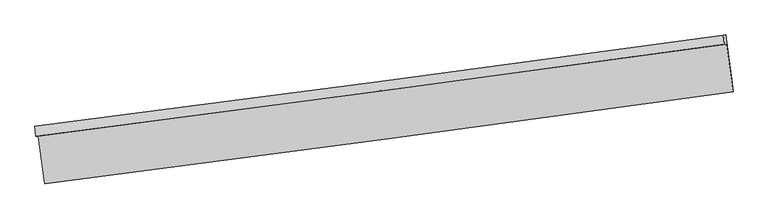
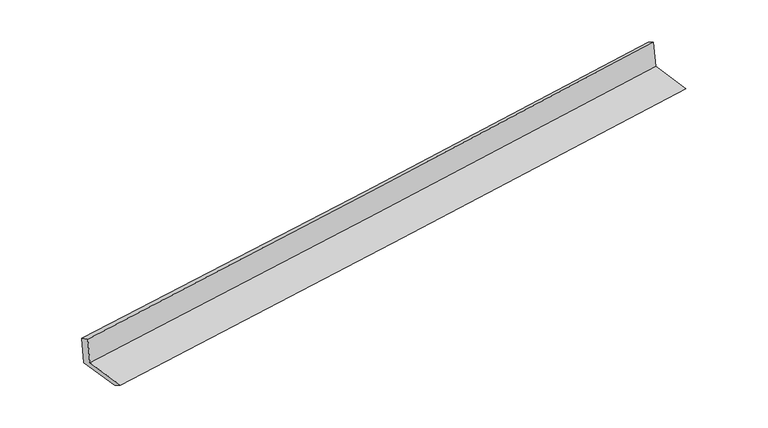
"""IFC4 building model written with IfcOpenShell, lengths in millimetres: proxy geometry."""

from ifc_helpers import new_model, si_unit, frame, origin, place, context, project, spatial, source, transform, mapped, element, save
from ifc_brep_helpers import plane_surface, spline_curve, spline_surface, advanced_brep


def generic_models_280643f5(model_context):
    return source(origin(), model_context, "Body", "AdvancedBrep", [
        advanced_brep(
        [(-4755.7221461, -2122.8628081, 1888.8154785), (-4723.9687355, -2120.7859916, 1493.4606036), (4690.6472382, -863.7417019, 2246.1779767), (4658.0932543, -865.8708795, 2651.5006167), (-4769.1010788, -1986.7933584, 1826.1014919), (4646.8548394, -739.6587337, 2578.8744285), (-4735.972185, -1984.6265791, 1413.620772), (4679.9837333, -737.4919544, 2166.3937086), (-4646.4907007, -2646.3938655, 1417.3312943), (4769.4652175, -1399.2592409, 2170.1042309), (-4635.6416629, -2774.0157362, 1497.1232559), (4778.9743107, -1516.9714465, 2249.8406291)],
        [
            (0, 1),
            (1, 2, spline_curve(3, [(-4723.9687355, -2120.7859916, 1493.4606036), (-3158.162744902, -1918.462731941, 1615.271593334), (-1592.922522354, -1712.85256275, 1738.721743915), (1545.289229412, -1293.875140908, 1989.608912346), (3118.254331592, -1080.47054719, 2117.06455343), (4690.6472382, -863.7417019, 2246.1779767)], [4, 2, 4], [0.0, 15.585726673179717, 31.259736161158244])),
            (2, 3),
            (3, 0, spline_curve(3, [(4658.0932543, -865.8708795, 2651.5006167), (3085.56578423, -1082.608525746, 2524.062615995), (1512.60068205, -1296.013120087, 2396.606975433), (-1625.342700712, -1714.972988544, 2142.378397536), (-3190.316065506, -1920.565704408, 2015.605659037), (-4755.7221461, -2122.8628081, 1888.8154785)], [4, 2, 4], [0.0, 15.674009487978527, 31.259736161158244])),
            (4, 0),
            (3, 5),
            (5, 4, spline_curve(3, [(4646.8548394, -739.6587337, 2578.8744285), (3074.687156491, -958.053235764, 2449.770344563), (1501.72205416, -1171.457830216, 2322.314703987), (-1636.938875946, -1587.113318946, 2071.408908479), (-3202.625746629, -1789.420266877, 1947.940237422), (-4769.1010788, -1986.7933584, 1826.1014919)], [4, 2, 4], [0.0, 15.674052021404602, 31.259820988443707])),
            (6, 4),
            (5, 7),
            (7, 6, spline_curve(3, [(4679.9837333, -737.4919544, 2166.3937086), (3107.816050481, -955.886456887, 2037.289624927), (1534.850947799, -1169.291050659, 1909.833984034), (-1603.809981987, -1584.946539702, 1658.928188632), (-3169.496852576, -1787.253487449, 1535.459517238), (-4735.972185, -1984.6265791, 1413.620772)], [4, 2, 4], [0.0, 15.67411808471793, 31.259952742973148])),
            (8, 6),
            (7, 9),
            (9, 8, spline_curve(3, [(4769.4652175, -1399.2592409, 2170.1042309), (3197.297534681, -1617.653743387, 2041.000147227), (1624.332432099, -1831.058337159, 1913.544506234), (-1514.328497687, -2246.713826202, 1662.638710832), (-3080.015368276, -2449.020773849, 1539.170039538), (-4646.4907007, -2646.3938655, 1417.3312943)], [4, 2, 4], [0.0, 15.67411808471793, 31.259952742973148])),
            (10, 8),
            (9, 11),
            (11, 10, spline_curve(3, [(4778.9743107, -1516.9714465, 2249.8406291), (3206.58140412, -1733.700291954, 2120.727205939), (1633.616301842, -1947.10488588, 1993.271565185), (-1504.595449785, -2366.08230698, 1742.384395878), (-3069.835672434, -2571.692476269, 1618.934245643), (-4635.6416629, -2774.0157362, 1497.1232559)], [4, 2, 4], [0.0, 15.674066177880688, 31.259849221660467])),
            (1, 10),
            (11, 2),
        ],
        [
            spline_surface(3, 3, [[(-4755.7221461, -2122.8628081, 1888.8154785), (-3190.316065281, -1920.565704313, 2015.605659186), (-1625.342700716, -1714.972988757, 2142.378397697), (1512.600682054, -1296.013119874, 2396.606975271), (3085.565784319, -1082.608525903, 2524.062616124), (4658.0932543, -865.8708795, 2651.5006167)], [(-4745.137675897, -2122.170535922, 1757.030520197), (-3179.598291811, -1919.864713498, 1882.160970627), (-1614.535974663, -1714.266180041, 2007.826179685), (1523.496864548, -1295.300460303, 2260.940954385), (3096.461966813, -1081.895866332, 2388.396595237), (4668.944582253, -865.161153619, 2516.393070035)], [(-4734.553205703, -2121.478263778, 1625.245561903), (-3168.880518351, -1919.163722719, 1748.716282079), (-1603.72924857, -1713.55937127, 1873.273961668), (1534.393047082, -1294.587800676, 2125.274933493), (3107.358149347, -1081.183206805, 2252.730574345), (4679.795910247, -864.451427781, 2381.285523365)], [(-4723.9687355, -2120.7859916, 1493.4606036), (-3158.162744881, -1918.462731905, 1615.271593521), (-1592.922522517, -1712.852562554, 1738.721743656), (1545.289229576, -1293.875141105, 1989.608912606), (3118.254331841, -1080.470547234, 2117.064553459), (4690.6472382, -863.7417019, 2246.1779767)]], [4, 4], [4, 2, 4], [0.0, 1.3341456044001], [0.0, 15.585726673179717, 31.259736161158244]),
            spline_surface(3, 3, [[(-4769.1010788, -1986.7933584, 1826.1014919), (-3202.625746561, -1789.42026679, 1947.940237361), (-1636.938876031, -1587.113319186, 2071.408908738), (1501.722054245, -1171.457829975, 2322.314703727), (3074.68715641, -958.053236005, 2449.77034458), (4646.8548394, -739.6587337, 2578.8744285)], [(-4764.641434551, -2032.149841639, 1847.006154081), (-3198.522519452, -1833.135412637, 1970.495377951), (-1633.073484245, -1629.733209041, 2095.065405071), (1505.34826353, -1212.97625994, 2347.078794255), (3078.313365695, -999.571665969, 2474.534435108), (4650.600977681, -781.729448965, 2603.083157913)], [(-4760.181790349, -2077.506324861, 1867.910816319), (-3194.41929239, -1876.850558466, 1993.050518596), (-1629.208092503, -1672.353098902, 2118.721901364), (1508.97447277, -1254.494689909, 2371.842884743), (3081.939575035, -1041.090095939, 2499.298525596), (4654.347116019, -823.800164235, 2627.291887287)], [(-4755.7221461, -2122.8628081, 1888.8154785), (-3190.316065281, -1920.565704313, 2015.605659186), (-1625.342700716, -1714.972988757, 2142.378397697), (1512.600682054, -1296.013119874, 2396.606975271), (3085.565784319, -1082.608525903, 2524.062616124), (4658.0932543, -865.8708795, 2651.5006167)]], [4, 4], [4, 2, 4], [0.0, 0.4791466285967055], [0.0, 15.585768967039105, 31.259820988443707]),
            spline_surface(3, 3, [[(-4735.972185, -1984.6265791, 1413.620772), (-3169.496852761, -1787.25348749, 1535.459517461), (-1603.809982231, -1584.946539786, 1658.928188838), (1534.850948045, -1169.291050575, 1909.833983827), (3107.81605031, -955.886456705, 2037.28962468), (4679.9837333, -737.4919544, 2166.3937086)], [(-4747.015149603, -1985.348838884, 1551.114345298), (-3180.539817364, -1787.975747274, 1672.95309076), (-1614.852946834, -1585.668799569, 1796.421762136), (1523.807983443, -1170.013310359, 2047.327557126), (3096.773085708, -956.608716489, 2174.783197978), (4668.940768697, -738.214214184, 2303.887281898)], [(-4758.058114197, -1986.071098616, 1688.607918602), (-3191.582781959, -1788.698007006, 1810.446664063), (-1625.895911428, -1586.391059402, 1933.915335439), (1512.765018848, -1170.735570191, 2184.821130429), (3085.730121013, -957.330976221, 2312.276771282), (4657.897804003, -738.936473916, 2441.380855202)], [(-4769.1010788, -1986.7933584, 1826.1014919), (-3202.625746561, -1789.42026679, 1947.940237361), (-1636.938876031, -1587.113319186, 2071.408908738), (1501.722054245, -1171.457829975, 2322.314703727), (3074.68715641, -958.053236005, 2449.77034458), (4646.8548394, -739.6587337, 2578.8744285)]], [4, 4], [4, 2, 4], [0.0, 1.3576596059951958], [0.0, 15.585834658255218, 31.259952742973148]),
            spline_surface(3, 3, [[(-4646.4907007, -2646.3938655, 1417.3312943), (-3080.015368461, -2449.02077389, 1539.170039761), (-1514.328497931, -2246.713826286, 1662.638711038), (1624.332432345, -1831.058337075, 1913.544506027), (3197.29753451, -1617.653743205, 2041.00014698), (4769.4652175, -1399.2592409, 2170.1042309)], [(-4676.317862121, -2425.80477001, 1416.094453543), (-3109.842529882, -2228.4316784, 1537.933199004), (-1544.155659352, -2026.124730795, 1661.40187028), (1594.505270924, -1610.469241585, 1912.30766527), (3167.470373089, -1397.064647715, 2039.763306223), (4739.638056079, -1178.67014541, 2168.867390143)], [(-4706.145023579, -2205.21567459, 1414.857612757), (-3139.66969134, -2007.842582981, 1536.696358219), (-1573.98282081, -1805.535635276, 1660.165029595), (1564.678109466, -1389.880146066, 1911.070824585), (3137.643211731, -1176.475552195, 2038.526465437), (4709.810894721, -958.08104989, 2167.630549357)], [(-4735.972185, -1984.6265791, 1413.620772), (-3169.496852761, -1787.25348749, 1535.459517461), (-1603.809982231, -1584.946539786, 1658.928188838), (1534.850948045, -1169.291050575, 1909.833983827), (3107.81605031, -955.886456705, 2037.28962468), (4679.9837333, -737.4919544, 2166.3937086)]], [4, 4], [4, 2, 4], [0.0, 2.190944403973014], [0.0, 15.585834658255218, 31.259952742973148]),
            spline_surface(3, 3, [[(-4635.6416629, -2774.0157362, 1497.1232559), (-3069.835672281, -2571.692476505, 1618.934245821), (-1504.595450017, -2366.082307154, 1742.384396056), (1633.616302076, -1947.104885705, 1993.271565006), (3206.581404341, -1733.700291834, 2120.727205859), (4778.9743107, -1516.9714465, 2249.8406291)], [(-4639.258008839, -2731.475112643, 1470.52593536), (-3073.228904347, -2530.801908977, 1592.346177127), (-1507.839799344, -2326.292813519, 1715.802501072), (1630.52167881, -1908.422702816, 1966.695878703), (3203.486781075, -1695.018108945, 2094.151519555), (4775.804612978, -1477.734044621, 2223.261829689)], [(-4642.874354761, -2688.934489057, 1443.92861484), (-3076.622136395, -2489.911341418, 1565.758108455), (-1511.084148604, -2286.503319921, 1689.220606021), (1627.427055611, -1869.740519964, 1940.120192331), (3200.392157776, -1656.335926094, 2067.575833284), (4772.634915222, -1438.496642779, 2196.683030311)], [(-4646.4907007, -2646.3938655, 1417.3312943), (-3080.015368461, -2449.02077389, 1539.170039761), (-1514.328497931, -2246.713826286, 1662.638711038), (1624.332432345, -1831.058337075, 1913.544506027), (3197.29753451, -1617.653743205, 2041.00014698), (4769.4652175, -1399.2592409, 2170.1042309)]], [4, 4], [4, 2, 4], [0.0, 0.46746071007653117], [0.0, 15.585783043779779, 31.259849221660467]),
            spline_surface(3, 3, [[(-4723.9687355, -2120.7859916, 1493.4606036), (-3158.162744881, -1918.462731905, 1615.271593521), (-1592.922522517, -1712.852562554, 1738.721743656), (1545.289229576, -1293.875141105, 1989.608912606), (3118.254331841, -1080.470547234, 2117.064553459), (4690.6472382, -863.7417019, 2246.1779767)], [(-4694.526377989, -2338.529239802, 1494.681487721), (-3128.72038737, -2136.205980107, 1616.492477642), (-1563.480165006, -1930.595810756, 1739.942627777), (1574.731587087, -1511.618389307, 1990.829796727), (3147.696689352, -1298.213795436, 2118.28543758), (4720.089595711, -1081.484950102, 2247.398860821)], [(-4665.084020411, -2556.272487998, 1495.902371779), (-3099.278029793, -2353.949228303, 1617.713361699), (-1534.037807528, -2148.339058952, 1741.163511934), (1604.173944565, -1729.361637503, 1992.050680885), (3177.13904683, -1515.957043632, 2119.506321738), (4749.531953189, -1299.228198298, 2248.619744979)], [(-4635.6416629, -2774.0157362, 1497.1232559), (-3069.835672281, -2571.692476505, 1618.934245821), (-1504.595450017, -2366.082307154, 1742.384396056), (1633.616302076, -1947.104885705, 1993.271565006), (3206.581404341, -1733.700291834, 2120.727205859), (4778.9743107, -1516.9714465, 2249.8406291)]], [4, 4], [4, 2, 4], [0.0, 2.162678758397741], [0.0, 15.585740738809807, 31.2597643720909]),
            plane_surface(frame((4704.0030989, -1020.4989928, 2343.8152651), z_axis=(0.987743037445204, 0.13400736068517377, 0.08003573739721745), x_axis=(-0.1339944650829522, 0.9909665031804881, -0.005556338845801369))),
            plane_surface(frame((-4711.1494182, -2272.5797232, 1589.408816), z_axis=(-0.9877430374452049, -0.13400736068516675, -0.0800357373972187), x_axis=(-0.08005732512178046, -0.005236110811518072, 0.996776508470136))),
        ],
        [
            (0, [[1, 2, 3, 4]]),
            (1, [[5, -4, 6, 7]]),
            (2, [[8, -7, 9, 10]]),
            (3, [[11, -10, 12, 13]]),
            (4, [[14, -13, 15, 16]]),
            (5, [[17, -16, 18, -2]]),
            (6, [[-12, -9, -6, -3, -18, -15]]),
            (7, [[-1, -5, -8, -11, -14, -17]]),
        ],
    ),
    ])


if __name__ == "__main__":
    model = new_model("IFC4")
    model_context = context("Model", 3, world=origin())
    ifc_project = project(units=[si_unit("LENGTHUNIT", "METRE", prefix="MILLI")], contexts=[model_context])
    site = spatial("IfcSite", under=ifc_project)
    building = spatial("IfcBuilding", under=site)
    placement = place(None, origin())
    generic_models_shape = generic_models_280643f5(model_context)
    element("IfcBuildingElementProxy", 1, Name="Generic Models", at=placement, inside=building, context=model_context, shape_type="MappedRepresentation", body=[
        mapped(generic_models_shape, transform((0.0, 0.0, 0.0), x_axis=(1.0, 0.0, 0.0), y_axis=(0.0, 1.0, 0.0), z_axis=(0.0, 0.0, 1.0))),
    ])
    save(model, "model.ifc")
